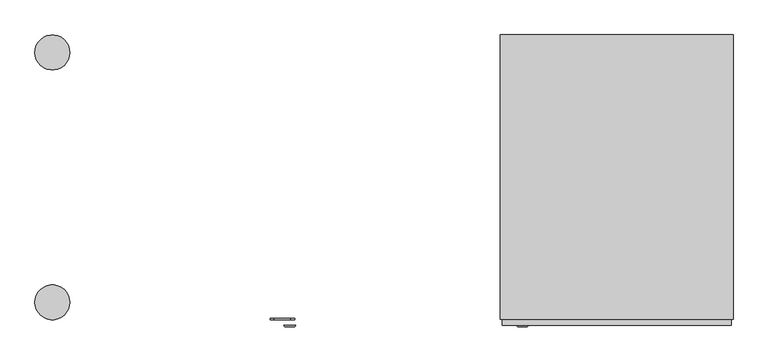
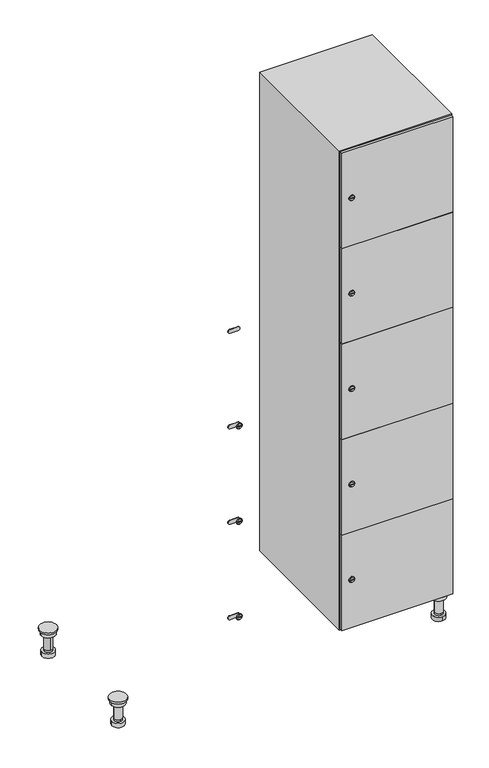
"""IFC4 building model written with IfcOpenShell, lengths in millimetres: furniture geometry."""

from ifc_helpers import new_model, si_unit, point, frame, frame_2d, origin, place, context, project, spatial, polyline, circle_curve, trimmed, segment, composite_curve, outline, extrude, faceted_brep, source, transform, mapped, element, save
from ifc_brep_helpers import plane_surface, cylinder_surface, revolved_surface, advanced_brep


def furniture_df191764(model_context):
    return source(origin(), model_context, "Body", "SolidModel", [
        advanced_brep(
        [(970.0, -201.0, 22.0), (970.0, -201.5, 16.0), (970.0, -228.5, 16.0), (970.0, -229.0, 22.0), (956.0, -215.0, 22.0), (984.0, -215.0, 22.0), (970.0, -192.5, 16.0), (970.0, -237.5, 16.0), (970.0, -192.5, 0.0), (970.0, -237.5, 0.0), (984.0, -215.0, 78.0), (956.0, -215.0, 78.0), (995.0, -215.0, 78.0), (945.0, -215.0, 78.0), (1000.0, -215.0, 94.0), (940.0, -215.0, 94.0), (945.0, -215.0, 94.0), (995.0, -215.0, 94.0), (1000.0, -215.0, 100.0), (940.0, -215.0, 100.0)],
        [
            (0, 1),
            (1, 2, circle_curve(frame((970.0, -215.0, 16.0), z_axis=(0.0, 0.0, 1.0), x_axis=(0.0, -1.0, 0.0)), 13.5)),
            (2, 3),
            (3, 4, circle_curve(frame((970.0, -215.0, 22.0), z_axis=(0.0, 0.0, -1.0), x_axis=(0.0, -1.0, 0.0)), 14.0)),
            (4, 0, circle_curve(frame((970.0, -215.0, 22.0), z_axis=(0.0, 0.0, -1.0), x_axis=(0.0, -1.0, 0.0)), 14.0)),
            (0, 5, circle_curve(frame((970.0, -215.0, 22.0), z_axis=(0.0, 0.0, -1.0), x_axis=(0.0, 1.0, 0.0)), 14.0)),
            (5, 3, circle_curve(frame((970.0, -215.0, 22.0), z_axis=(0.0, 0.0, -1.0), x_axis=(0.0, 1.0, 0.0)), 14.0)),
            (2, 1, circle_curve(frame((970.0, -215.0, 16.0), z_axis=(0.0, 0.0, 1.0), x_axis=(0.0, 1.0, 0.0)), 13.5)),
            (6, 7, circle_curve(frame((970.0, -215.0, 16.0), z_axis=(0.0, 0.0, 1.0), x_axis=(0.0, -1.0, 0.0)), 22.5)),
            (7, 6, circle_curve(frame((970.0, -215.0, 16.0), z_axis=(0.0, 0.0, 1.0), x_axis=(0.0, -1.0, 0.0)), 22.5)),
            (8, 9, circle_curve(frame((970.0, -215.0, 0.0), z_axis=(0.0, 0.0, -1.0), x_axis=(0.0, -1.0, 0.0)), 22.5)),
            (9, 8, circle_curve(frame((970.0, -215.0, 0.0), z_axis=(0.0, 0.0, -1.0), x_axis=(0.0, -1.0, 0.0)), 22.5)),
            (6, 8),
            (9, 7),
            (5, 10),
            (10, 11, circle_curve(frame((970.0, -215.0, 78.0), z_axis=(0.0, 0.0, -1.0), x_axis=(-1.0, 0.0, 0.0)), 14.0)),
            (11, 4),
            (11, 10, circle_curve(frame((970.0, -215.0, 78.0), z_axis=(0.0, 0.0, -1.0), x_axis=(-1.0, 0.0, 0.0)), 14.0)),
            (12, 13, circle_curve(frame((970.0, -215.0, 78.0), z_axis=(0.0, 0.0, -1.0), x_axis=(-1.0, 0.0, 0.0)), 25.0)),
            (13, 12, circle_curve(frame((970.0, -215.0, 78.0), z_axis=(0.0, 0.0, -1.0), x_axis=(-1.0, 0.0, 0.0)), 25.0)),
            (14, 15, circle_curve(frame((970.0, -215.0, 94.0), z_axis=(0.0, 0.0, -1.0), x_axis=(-1.0, 0.0, 0.0)), 30.0)),
            (15, 14, circle_curve(frame((970.0, -215.0, 94.0), z_axis=(0.0, 0.0, -1.0), x_axis=(-1.0, 0.0, 0.0)), 30.0)),
            (16, 17, circle_curve(frame((970.0, -215.0, 94.0), z_axis=(0.0, 0.0, 1.0), x_axis=(-1.0, 0.0, 0.0)), 25.0)),
            (17, 16, circle_curve(frame((970.0, -215.0, 94.0), z_axis=(0.0, 0.0, 1.0), x_axis=(-1.0, 0.0, 0.0)), 25.0)),
            (18, 19, circle_curve(frame((970.0, -215.0, 100.0), z_axis=(0.0, 0.0, 1.0), x_axis=(-1.0, 0.0, 0.0)), 30.0)),
            (19, 18, circle_curve(frame((970.0, -215.0, 100.0), z_axis=(0.0, 0.0, 1.0), x_axis=(-1.0, 0.0, 0.0)), 30.0)),
            (14, 18),
            (19, 15),
            (12, 17),
            (16, 13),
        ],
        [
            revolved_surface(polyline([(970.0, -201.5, 16.0), (970.0, -201.0, 22.0)]), (970.0, -215.0, -146.0), (0.0, 0.0, 1.0)),
            plane_surface(frame((970.0, 0.0, 16.0), z_axis=(0.0, 0.0, 1.0), x_axis=(0.0, -1.0, 0.0))),
            plane_surface(frame((970.0, 0.0, 0.0), z_axis=(0.0, 0.0, -1.0), x_axis=(0.0, -1.0, 0.0))),
            cylinder_surface(frame((970.0, -215.0, 16.0), z_axis=(0.0, 0.0, 1.0), x_axis=(0.0, -1.0, 0.0)), 22.5),
            cylinder_surface(frame((970.0, -215.0, 22.0), z_axis=(0.0, 0.0, -1.0), x_axis=(-1.0, 0.0, 0.0)), 14.0),
            plane_surface(frame((970.0, 0.0, 78.0), z_axis=(0.0, 0.0, -1.0), x_axis=(0.0, -1.0, 0.0))),
            plane_surface(frame((970.0, 0.0, 94.0), z_axis=(0.0, 0.0, -1.0), x_axis=(0.0, -1.0, 0.0))),
            plane_surface(frame((970.0, 0.0, 100.0), z_axis=(0.0, 0.0, 1.0), x_axis=(0.0, -1.0, 0.0))),
            cylinder_surface(frame((970.0, -215.0, 94.0), z_axis=(0.0, 0.0, -1.0), x_axis=(-1.0, 0.0, 0.0)), 30.0),
            cylinder_surface(frame((970.0, -215.0, 78.0), z_axis=(0.0, 0.0, -1.0), x_axis=(-1.0, 0.0, 0.0)), 25.0),
        ],
        [
            (0, [[1, 2, 3, 4, 5]]),
            (0, [[-1, 6, 7, -3, 8]]),
            (1, [[9, 10], [-2, -8]]),
            (2, [[11, 12]]),
            (3, [[-9, 13, -12, 14]]),
            (3, [[-10, -14, -11, -13]]),
            (4, [[15, 16, 17, -4, -7]]),
            (4, [[-15, -6, -5, -17, 18]]),
            (5, [[19, 20], [-16, -18]]),
            (6, [[21, 22], [23, 24]]),
            (7, [[25, 26]]),
            (8, [[-21, 27, -26, 28]]),
            (8, [[-22, -28, -25, -27]]),
            (9, [[-19, 29, -23, 30]]),
            (9, [[-20, -30, -24, -29]]),
        ],
    ),
        advanced_brep(
        [(-170.0, -201.0, 22.0), (-170.0, -201.5, 16.0), (-170.0, -228.5, 16.0), (-170.0, -229.0, 22.0), (-184.0, -215.0, 22.0), (-156.0, -215.0, 22.0), (-147.5, -215.0, 0.0), (-192.5, -215.0, 0.0), (-147.5, -215.0, 16.0), (-192.5, -215.0, 16.0), (-156.0, -215.0, 78.0), (-184.0, -215.0, 78.0), (-145.0, -215.0, 78.0), (-195.0, -215.0, 78.0), (-140.0, -215.0, 94.0), (-200.0, -215.0, 94.0), (-195.0, -215.0, 94.0), (-145.0, -215.0, 94.0), (-140.0, -215.0, 100.0), (-200.0, -215.0, 100.0)],
        [
            (0, 1),
            (1, 2, circle_curve(frame((-170.0, -215.0, 16.0), z_axis=(0.0, 0.0, 1.0), x_axis=(0.0, -1.0, 0.0)), 13.5)),
            (2, 3),
            (3, 4, circle_curve(frame((-170.0, -215.0, 22.0), z_axis=(0.0, 0.0, -1.0), x_axis=(0.0, -1.0, 0.0)), 14.0)),
            (4, 0, circle_curve(frame((-170.0, -215.0, 22.0), z_axis=(0.0, 0.0, -1.0), x_axis=(0.0, -1.0, 0.0)), 14.0)),
            (0, 5, circle_curve(frame((-170.0, -215.0, 22.0), z_axis=(0.0, 0.0, -1.0), x_axis=(0.0, 1.0, 0.0)), 14.0)),
            (5, 3, circle_curve(frame((-170.0, -215.0, 22.0), z_axis=(0.0, 0.0, -1.0), x_axis=(0.0, 1.0, 0.0)), 14.0)),
            (2, 1, circle_curve(frame((-170.0, -215.0, 16.0), z_axis=(0.0, 0.0, 1.0), x_axis=(0.0, 1.0, 0.0)), 13.5)),
            (6, 7, circle_curve(frame((-170.0, -215.0, 0.0), z_axis=(0.0, 0.0, -1.0), x_axis=(-1.0, 0.0, 0.0)), 22.5)),
            (7, 6, circle_curve(frame((-170.0, -215.0, 0.0), z_axis=(0.0, 0.0, -1.0), x_axis=(-1.0, 0.0, 0.0)), 22.5)),
            (8, 9, circle_curve(frame((-170.0, -215.0, 16.0), z_axis=(0.0, 0.0, 1.0), x_axis=(-1.0, 0.0, 0.0)), 22.5)),
            (9, 8, circle_curve(frame((-170.0, -215.0, 16.0), z_axis=(0.0, 0.0, 1.0), x_axis=(-1.0, 0.0, 0.0)), 22.5)),
            (6, 8),
            (9, 7),
            (5, 10),
            (10, 11, circle_curve(frame((-170.0, -215.0, 78.0), z_axis=(0.0, 0.0, -1.0), x_axis=(-1.0, 0.0, 0.0)), 14.0)),
            (11, 4),
            (11, 10, circle_curve(frame((-170.0, -215.0, 78.0), z_axis=(0.0, 0.0, -1.0), x_axis=(-1.0, 0.0, 0.0)), 14.0)),
            (12, 13, circle_curve(frame((-170.0, -215.0, 78.0), z_axis=(0.0, 0.0, -1.0), x_axis=(-1.0, 0.0, 0.0)), 25.0)),
            (13, 12, circle_curve(frame((-170.0, -215.0, 78.0), z_axis=(0.0, 0.0, -1.0), x_axis=(-1.0, 0.0, 0.0)), 25.0)),
            (14, 15, circle_curve(frame((-170.0, -215.0, 94.0), z_axis=(0.0, 0.0, -1.0), x_axis=(-1.0, 0.0, 0.0)), 30.0)),
            (15, 14, circle_curve(frame((-170.0, -215.0, 94.0), z_axis=(0.0, 0.0, -1.0), x_axis=(-1.0, 0.0, 0.0)), 30.0)),
            (16, 17, circle_curve(frame((-170.0, -215.0, 94.0), z_axis=(0.0, 0.0, 1.0), x_axis=(-1.0, 0.0, 0.0)), 25.0)),
            (17, 16, circle_curve(frame((-170.0, -215.0, 94.0), z_axis=(0.0, 0.0, 1.0), x_axis=(-1.0, 0.0, 0.0)), 25.0)),
            (18, 19, circle_curve(frame((-170.0, -215.0, 100.0), z_axis=(0.0, 0.0, 1.0), x_axis=(-1.0, 0.0, 0.0)), 30.0)),
            (19, 18, circle_curve(frame((-170.0, -215.0, 100.0), z_axis=(0.0, 0.0, 1.0), x_axis=(-1.0, 0.0, 0.0)), 30.0)),
            (14, 18),
            (19, 15),
            (12, 17),
            (16, 13),
        ],
        [
            revolved_surface(polyline([(-170.0, -201.5, 16.0), (-170.0, -201.0, 22.0)]), (-170.0, -215.0, -146.0), (0.0, 0.0, 1.0)),
            plane_surface(frame((-170.0, 0.0, 0.0), z_axis=(0.0, 0.0, -1.0), x_axis=(0.0, -1.0, 0.0))),
            plane_surface(frame((-170.0, 0.0, 16.0), z_axis=(0.0, 0.0, 1.0), x_axis=(0.0, -1.0, 0.0))),
            cylinder_surface(frame((-170.0, -215.0, 0.0), z_axis=(0.0, 0.0, -1.0), x_axis=(-1.0, 0.0, 0.0)), 22.5),
            cylinder_surface(frame((-170.0, -215.0, 22.0), z_axis=(0.0, 0.0, -1.0), x_axis=(-1.0, 0.0, 0.0)), 14.0),
            plane_surface(frame((-170.0, 0.0, 78.0), z_axis=(0.0, 0.0, -1.0), x_axis=(0.0, -1.0, 0.0))),
            plane_surface(frame((-170.0, 0.0, 94.0), z_axis=(0.0, 0.0, -1.0), x_axis=(0.0, -1.0, 0.0))),
            plane_surface(frame((-170.0, 0.0, 100.0), z_axis=(0.0, 0.0, 1.0), x_axis=(0.0, -1.0, 0.0))),
            cylinder_surface(frame((-170.0, -215.0, 94.0), z_axis=(0.0, 0.0, -1.0), x_axis=(-1.0, 0.0, 0.0)), 30.0),
            cylinder_surface(frame((-170.0, -215.0, 78.0), z_axis=(0.0, 0.0, -1.0), x_axis=(-1.0, 0.0, 0.0)), 25.0),
        ],
        [
            (0, [[1, 2, 3, 4, 5]]),
            (0, [[-1, 6, 7, -3, 8]]),
            (1, [[9, 10]]),
            (2, [[11, 12], [-2, -8]]),
            (3, [[-9, 13, -12, 14]]),
            (3, [[-10, -14, -11, -13]]),
            (4, [[15, 16, 17, -4, -7]]),
            (4, [[-15, -6, -5, -17, 18]]),
            (5, [[19, 20], [-16, -18]]),
            (6, [[21, 22], [23, 24]]),
            (7, [[25, 26]]),
            (8, [[-21, 27, -26, 28]]),
            (8, [[-22, -28, -25, -27]]),
            (9, [[-19, 29, -23, 30]]),
            (9, [[-20, -30, -24, -29]]),
        ],
    ),
        advanced_brep(
        [(983.5, 215.0, 16.0), (984.0, 215.0, 22.0), (956.0, 215.0, 22.0), (956.5, 215.0, 16.0), (992.5, 215.0, 0.0), (947.5, 215.0, 0.0), (992.5, 215.0, 16.0), (947.5, 215.0, 16.0), (984.0, 215.0, 78.0), (956.0, 215.0, 78.0), (995.0, 215.0, 78.0), (945.0, 215.0, 78.0), (1000.0, 215.0, 94.0), (940.0, 215.0, 94.0), (945.0, 215.0, 94.0), (995.0, 215.0, 94.0), (1000.0, 215.0, 100.0), (940.0, 215.0, 100.0)],
        [
            (0, 1),
            (1, 2, circle_curve(frame((970.0, 215.0, 22.0), z_axis=(0.0, 0.0, -1.0), x_axis=(-1.0, 0.0, 0.0)), 14.0)),
            (2, 3),
            (3, 0, circle_curve(frame((970.0, 215.0, 16.0), z_axis=(0.0, 0.0, 1.0), x_axis=(-1.0, 0.0, 0.0)), 13.5)),
            (0, 3, circle_curve(frame((970.0, 215.0, 16.0), z_axis=(0.0, 0.0, 1.0), x_axis=(1.0, 0.0, 0.0)), 13.5)),
            (2, 1, circle_curve(frame((970.0, 215.0, 22.0), z_axis=(0.0, 0.0, -1.0), x_axis=(1.0, 0.0, 0.0)), 14.0)),
            (4, 5, circle_curve(frame((970.0, 215.0, 0.0), z_axis=(0.0, 0.0, -1.0), x_axis=(-1.0, 0.0, 0.0)), 22.5)),
            (5, 4, circle_curve(frame((970.0, 215.0, 0.0), z_axis=(0.0, 0.0, -1.0), x_axis=(-1.0, 0.0, 0.0)), 22.5)),
            (6, 7, circle_curve(frame((970.0, 215.0, 16.0), z_axis=(0.0, 0.0, 1.0), x_axis=(-1.0, 0.0, 0.0)), 22.5)),
            (7, 6, circle_curve(frame((970.0, 215.0, 16.0), z_axis=(0.0, 0.0, 1.0), x_axis=(-1.0, 0.0, 0.0)), 22.5)),
            (4, 6),
            (7, 5),
            (1, 8),
            (8, 9, circle_curve(frame((970.0, 215.0, 78.0), z_axis=(0.0, 0.0, -1.0), x_axis=(-1.0, 0.0, 0.0)), 14.0)),
            (9, 2),
            (9, 8, circle_curve(frame((970.0, 215.0, 78.0), z_axis=(0.0, 0.0, -1.0), x_axis=(-1.0, 0.0, 0.0)), 14.0)),
            (10, 11, circle_curve(frame((970.0, 215.0, 78.0), z_axis=(0.0, 0.0, -1.0), x_axis=(-1.0, 0.0, 0.0)), 25.0)),
            (11, 10, circle_curve(frame((970.0, 215.0, 78.0), z_axis=(0.0, 0.0, -1.0), x_axis=(-1.0, 0.0, 0.0)), 25.0)),
            (12, 13, circle_curve(frame((970.0, 215.0, 94.0), z_axis=(0.0, 0.0, -1.0), x_axis=(-1.0, 0.0, 0.0)), 30.0)),
            (13, 12, circle_curve(frame((970.0, 215.0, 94.0), z_axis=(0.0, 0.0, -1.0), x_axis=(-1.0, 0.0, 0.0)), 30.0)),
            (14, 15, circle_curve(frame((970.0, 215.0, 94.0), z_axis=(0.0, 0.0, 1.0), x_axis=(-1.0, 0.0, 0.0)), 25.0)),
            (15, 14, circle_curve(frame((970.0, 215.0, 94.0), z_axis=(0.0, 0.0, 1.0), x_axis=(-1.0, 0.0, 0.0)), 25.0)),
            (16, 17, circle_curve(frame((970.0, 215.0, 100.0), z_axis=(0.0, 0.0, 1.0), x_axis=(-1.0, 0.0, 0.0)), 30.0)),
            (17, 16, circle_curve(frame((970.0, 215.0, 100.0), z_axis=(0.0, 0.0, 1.0), x_axis=(-1.0, 0.0, 0.0)), 30.0)),
            (12, 16),
            (17, 13),
            (10, 15),
            (14, 11),
        ],
        [
            revolved_surface(polyline([(983.5, 215.0, 16.0), (984.0, 215.0, 22.0)]), (970.0, 215.0, -146.0), (0.0, 0.0, 1.0)),
            plane_surface(frame((970.0, 0.0, 0.0), z_axis=(0.0, 0.0, -1.0), x_axis=(0.0, -1.0, 0.0))),
            plane_surface(frame((970.0, 0.0, 16.0), z_axis=(0.0, 0.0, 1.0), x_axis=(0.0, -1.0, 0.0))),
            cylinder_surface(frame((970.0, 215.0, 0.0), z_axis=(0.0, 0.0, -1.0), x_axis=(-1.0, 0.0, 0.0)), 22.5),
            cylinder_surface(frame((970.0, 215.0, 22.0), z_axis=(0.0, 0.0, -1.0), x_axis=(-1.0, 0.0, 0.0)), 14.0),
            plane_surface(frame((970.0, 0.0, 78.0), z_axis=(0.0, 0.0, -1.0), x_axis=(0.0, -1.0, 0.0))),
            plane_surface(frame((970.0, 0.0, 94.0), z_axis=(0.0, 0.0, -1.0), x_axis=(0.0, -1.0, 0.0))),
            plane_surface(frame((970.0, 0.0, 100.0), z_axis=(0.0, 0.0, 1.0), x_axis=(0.0, -1.0, 0.0))),
            cylinder_surface(frame((970.0, 215.0, 94.0), z_axis=(0.0, 0.0, -1.0), x_axis=(-1.0, 0.0, 0.0)), 30.0),
            cylinder_surface(frame((970.0, 215.0, 78.0), z_axis=(0.0, 0.0, -1.0), x_axis=(-1.0, 0.0, 0.0)), 25.0),
        ],
        [
            (0, [[1, 2, 3, 4]]),
            (0, [[-1, 5, -3, 6]]),
            (1, [[7, 8]]),
            (2, [[9, 10], [-4, -5]]),
            (3, [[-7, 11, -10, 12]]),
            (3, [[-8, -12, -9, -11]]),
            (4, [[13, 14, 15, -2]]),
            (4, [[-13, -6, -15, 16]]),
            (5, [[17, 18], [-14, -16]]),
            (6, [[19, 20], [21, 22]]),
            (7, [[23, 24]]),
            (8, [[-19, 25, -24, 26]]),
            (8, [[-20, -26, -23, -25]]),
            (9, [[-17, 27, -21, 28]]),
            (9, [[-18, -28, -22, -27]]),
        ],
    ),
        advanced_brep(
        [(-156.5, 215.0, 16.0), (-156.0, 215.0, 22.0), (-170.0, 201.0, 22.0), (-184.0, 215.0, 22.0), (-183.5, 215.0, 16.0), (-170.0, 229.0, 22.0), (-147.5, 215.0, 0.0), (-192.5, 215.0, 0.0), (-147.5, 215.0, 16.0), (-192.5, 215.0, 16.0), (-170.0, 229.0, 78.0), (-170.0, 201.0, 78.0), (-145.0, 215.0, 78.0), (-195.0, 215.0, 78.0), (-140.0, 215.0, 94.0), (-200.0, 215.0, 94.0), (-195.0, 215.0, 94.0), (-145.0, 215.0, 94.0), (-140.0, 215.0, 100.0), (-200.0, 215.0, 100.0)],
        [
            (0, 1),
            (1, 2, circle_curve(frame((-170.0, 215.0, 22.0), z_axis=(0.0, 0.0, -1.0), x_axis=(-1.0, 0.0, 0.0)), 14.0)),
            (2, 3, circle_curve(frame((-170.0, 215.0, 22.0), z_axis=(0.0, 0.0, -1.0), x_axis=(-1.0, 0.0, 0.0)), 14.0)),
            (3, 4),
            (4, 0, circle_curve(frame((-170.0, 215.0, 16.0), z_axis=(0.0, 0.0, 1.0), x_axis=(-1.0, 0.0, 0.0)), 13.5)),
            (0, 4, circle_curve(frame((-170.0, 215.0, 16.0), z_axis=(0.0, 0.0, 1.0), x_axis=(1.0, 0.0, 0.0)), 13.5)),
            (3, 5, circle_curve(frame((-170.0, 215.0, 22.0), z_axis=(0.0, 0.0, -1.0), x_axis=(1.0, 0.0, 0.0)), 14.0)),
            (5, 1, circle_curve(frame((-170.0, 215.0, 22.0), z_axis=(0.0, 0.0, -1.0), x_axis=(1.0, 0.0, 0.0)), 14.0)),
            (6, 7, circle_curve(frame((-170.0, 215.0, 0.0), z_axis=(0.0, 0.0, -1.0), x_axis=(-1.0, 0.0, 0.0)), 22.5)),
            (7, 6, circle_curve(frame((-170.0, 215.0, 0.0), z_axis=(0.0, 0.0, -1.0), x_axis=(-1.0, 0.0, 0.0)), 22.5)),
            (8, 9, circle_curve(frame((-170.0, 215.0, 16.0), z_axis=(0.0, 0.0, 1.0), x_axis=(-1.0, 0.0, 0.0)), 22.5)),
            (9, 8, circle_curve(frame((-170.0, 215.0, 16.0), z_axis=(0.0, 0.0, 1.0), x_axis=(-1.0, 0.0, 0.0)), 22.5)),
            (6, 8),
            (9, 7),
            (10, 5),
            (2, 11),
            (11, 10, circle_curve(frame((-170.0, 215.0, 78.0), z_axis=(0.0, 0.0, -1.0), x_axis=(0.0, -1.0, 0.0)), 14.0)),
            (10, 11, circle_curve(frame((-170.0, 215.0, 78.0), z_axis=(0.0, 0.0, -1.0), x_axis=(0.0, -1.0, 0.0)), 14.0)),
            (12, 13, circle_curve(frame((-170.0, 215.0, 78.0), z_axis=(0.0, 0.0, -1.0), x_axis=(-1.0, 0.0, 0.0)), 25.0)),
            (13, 12, circle_curve(frame((-170.0, 215.0, 78.0), z_axis=(0.0, 0.0, -1.0), x_axis=(-1.0, 0.0, 0.0)), 25.0)),
            (14, 15, circle_curve(frame((-170.0, 215.0, 94.0), z_axis=(0.0, 0.0, -1.0), x_axis=(-1.0, 0.0, 0.0)), 30.0)),
            (15, 14, circle_curve(frame((-170.0, 215.0, 94.0), z_axis=(0.0, 0.0, -1.0), x_axis=(-1.0, 0.0, 0.0)), 30.0)),
            (16, 17, circle_curve(frame((-170.0, 215.0, 94.0), z_axis=(0.0, 0.0, 1.0), x_axis=(-1.0, 0.0, 0.0)), 25.0)),
            (17, 16, circle_curve(frame((-170.0, 215.0, 94.0), z_axis=(0.0, 0.0, 1.0), x_axis=(-1.0, 0.0, 0.0)), 25.0)),
            (18, 19, circle_curve(frame((-170.0, 215.0, 100.0), z_axis=(0.0, 0.0, 1.0), x_axis=(-1.0, 0.0, 0.0)), 30.0)),
            (19, 18, circle_curve(frame((-170.0, 215.0, 100.0), z_axis=(0.0, 0.0, 1.0), x_axis=(-1.0, 0.0, 0.0)), 30.0)),
            (14, 18),
            (19, 15),
            (12, 17),
            (16, 13),
        ],
        [
            revolved_surface(polyline([(-156.5, 215.0, 16.0), (-156.0, 215.0, 22.0)]), (-170.0, 215.0, -146.0), (0.0, 0.0, 1.0)),
            plane_surface(frame((-170.0, 0.0, 0.0), z_axis=(0.0, 0.0, -1.0), x_axis=(0.0, -1.0, 0.0))),
            plane_surface(frame((-170.0, 0.0, 16.0), z_axis=(0.0, 0.0, 1.0), x_axis=(0.0, -1.0, 0.0))),
            cylinder_surface(frame((-170.0, 215.0, 0.0), z_axis=(0.0, 0.0, -1.0), x_axis=(-1.0, 0.0, 0.0)), 22.5),
            cylinder_surface(frame((-170.0, 215.0, 78.0), z_axis=(0.0, 0.0, 1.0), x_axis=(0.0, -1.0, 0.0)), 14.0),
            plane_surface(frame((-170.0, 0.0, 78.0), z_axis=(0.0, 0.0, -1.0), x_axis=(0.0, -1.0, 0.0))),
            plane_surface(frame((-170.0, 0.0, 94.0), z_axis=(0.0, 0.0, -1.0), x_axis=(0.0, -1.0, 0.0))),
            plane_surface(frame((-170.0, 0.0, 100.0), z_axis=(0.0, 0.0, 1.0), x_axis=(0.0, -1.0, 0.0))),
            cylinder_surface(frame((-170.0, 215.0, 94.0), z_axis=(0.0, 0.0, -1.0), x_axis=(-1.0, 0.0, 0.0)), 30.0),
            cylinder_surface(frame((-170.0, 215.0, 78.0), z_axis=(0.0, 0.0, -1.0), x_axis=(-1.0, 0.0, 0.0)), 25.0),
        ],
        [
            (0, [[1, 2, 3, 4, 5]]),
            (0, [[-1, 6, -4, 7, 8]]),
            (1, [[9, 10]]),
            (2, [[11, 12], [-5, -6]]),
            (3, [[-9, 13, -12, 14]]),
            (3, [[-10, -14, -11, -13]]),
            (4, [[15, -7, -3, 16, 17]]),
            (4, [[-15, 18, -16, -2, -8]]),
            (5, [[19, 20], [-17, -18]]),
            (6, [[21, 22], [23, 24]]),
            (7, [[25, 26]]),
            (8, [[-21, 27, -26, 28]]),
            (8, [[-22, -28, -25, -27]]),
            (9, [[-19, 29, -23, 30]]),
            (9, [[-20, -30, -24, -29]]),
        ],
    ),
        extrude(outline(composite_curve([segment(trimmed(circle_curve(frame_2d((282.4, 611.2010534)), 7.0), [point((289.4, 611.2010534))], [point((275.4, 611.2010534))], False, "CARTESIAN"), True, "CONTINUOUS"), segment(polyline([(275.4, 611.2010534), (275.4, 639.2010534)]), True, "CONTINUOUS"), segment(trimmed(circle_curve(frame_2d((282.4, 639.2010534)), 7.0), [point((275.4, 639.2010534))], [point((289.4, 639.2010534))], False, "CARTESIAN"), True, "CONTINUOUS"), segment(polyline([(289.4, 639.2010534), (289.4, 611.2010534)]), True, "CONTINUOUS")], self_intersect=False)), frame((0.0, -245.0, 0.0), z_axis=(0.0, 1.0, 0.0), x_axis=(0.0, 0.0, 1.0)), (0.0, 0.0, 1.0), 2.0),
        advanced_brep(
        [(646.5, -257.2, 282.4), (629.5, -257.2, 282.4), (633.0, -257.2, 281.15), (633.0, -257.2, 283.65), (643.0, -257.2, 283.65), (643.0, -257.2, 281.15), (648.5, -255.0, 282.4), (627.5, -255.0, 282.4), (633.0, -255.0, 283.65), (633.0, -255.0, 281.15), (643.0, -255.0, 281.15), (643.0, -255.0, 283.65)],
        [
            (0, 1, circle_curve(frame((638.0, -257.2, 282.4), z_axis=(0.0, -1.0, 0.0), x_axis=(1.0, 0.0, 0.0)), 8.5)),
            (1, 0, circle_curve(frame((638.0, -257.2, 282.4), z_axis=(0.0, -1.0, 0.0), x_axis=(-1.0, 0.0, 0.0)), 8.5)),
            (2, 3),
            (3, 4),
            (4, 5),
            (5, 2),
            (6, 7, circle_curve(frame((638.0, -255.0, 282.4), z_axis=(0.0, 1.0, 0.0), x_axis=(-1.0, 0.0, 0.0)), 10.5)),
            (7, 6, circle_curve(frame((638.0, -255.0, 282.4), z_axis=(0.0, 1.0, 0.0), x_axis=(1.0, 0.0, 0.0)), 10.5)),
            (8, 9),
            (9, 10),
            (10, 11),
            (11, 8),
            (0, 6),
            (7, 1),
            (8, 3),
            (2, 9),
            (11, 4),
            (10, 5),
        ],
        [
            plane_surface(frame((638.0, -257.2, 282.4), z_axis=(0.0, -1.0, 0.0), x_axis=(0.0, 0.0, 1.0))),
            plane_surface(frame((638.0, -255.0, 282.4), z_axis=(0.0, 1.0, 0.0), x_axis=(0.0, 0.0, 1.0))),
            revolved_surface(polyline([(646.5, -257.2, 282.4), (648.5, -255.0, 282.4)]), (638.0, -266.55, 282.4), (0.0, 1.0, 0.0)),
            revolved_surface(polyline([(629.5, -257.2, 282.4), (627.5, -255.0, 282.4)]), (638.0, -266.55, 282.4), (0.0, 1.0, 0.0)),
            plane_surface(frame((633.0, -255.0, 281.15), z_axis=(1.0, 0.0, 0.0), x_axis=(0.0, -1.0, 0.0))),
            plane_surface(frame((633.0, -255.0, 283.65), z_axis=(0.0, 0.0, -1.0), x_axis=(0.0, -1.0, 0.0))),
            plane_surface(frame((643.0, -255.0, 283.65), z_axis=(-1.0, 0.0, 0.0), x_axis=(0.0, -1.0, 0.0))),
            plane_surface(frame((643.0, -255.0, 281.15), z_axis=(0.0, 0.0, 1.0), x_axis=(0.0, -1.0, 0.0))),
        ],
        [
            (0, [[1, 2], [3, 4, 5, 6]]),
            (1, [[7, 8], [9, 10, 11, 12]]),
            (2, [[-1, 13, -8, 14]]),
            (3, [[-2, -14, -7, -13]]),
            (4, [[15, -3, 16, -9]]),
            (5, [[-15, -12, 17, -4]]),
            (6, [[-17, -11, 18, -5]]),
            (7, [[-16, -6, -18, -10]]),
        ],
    ),
        extrude(outline(composite_curve([segment(trimmed(circle_curve(frame_2d((641.2, 611.2010534)), 7.0), [point((648.2, 611.2010534))], [point((634.2, 611.2010534))], False, "CARTESIAN"), True, "CONTINUOUS"), segment(polyline([(634.2, 611.2010534), (634.2, 639.2010534)]), True, "CONTINUOUS"), segment(trimmed(circle_curve(frame_2d((641.2, 639.2010534)), 7.0), [point((634.2, 639.2010534))], [point((648.2, 639.2010534))], False, "CARTESIAN"), True, "CONTINUOUS"), segment(polyline([(648.2, 639.2010534), (648.2, 611.2010534)]), True, "CONTINUOUS")], self_intersect=False)), frame((0.0, -245.0, 0.0), z_axis=(0.0, 1.0, 0.0), x_axis=(0.0, 0.0, 1.0)), (0.0, 0.0, 1.0), 2.0),
        advanced_brep(
        [(646.5, -257.2, 641.2), (629.5, -257.2, 641.2), (633.0, -257.2, 639.95), (633.0, -257.2, 642.45), (643.0, -257.2, 642.45), (643.0, -257.2, 639.95), (648.5, -255.0, 641.2), (627.5, -255.0, 641.2), (633.0, -255.0, 642.45), (633.0, -255.0, 639.95), (643.0, -255.0, 639.95), (643.0, -255.0, 642.45)],
        [
            (0, 1, circle_curve(frame((638.0, -257.2, 641.2), z_axis=(0.0, -1.0, 0.0), x_axis=(1.0, 0.0, 0.0)), 8.5)),
            (1, 0, circle_curve(frame((638.0, -257.2, 641.2), z_axis=(0.0, -1.0, 0.0), x_axis=(-1.0, 0.0, 0.0)), 8.5)),
            (2, 3),
            (3, 4),
            (4, 5),
            (5, 2),
            (6, 7, circle_curve(frame((638.0, -255.0, 641.2), z_axis=(0.0, 1.0, 0.0), x_axis=(-1.0, 0.0, 0.0)), 10.5)),
            (7, 6, circle_curve(frame((638.0, -255.0, 641.2), z_axis=(0.0, 1.0, 0.0), x_axis=(1.0, 0.0, 0.0)), 10.5)),
            (8, 9),
            (9, 10),
            (10, 11),
            (11, 8),
            (0, 6),
            (7, 1),
            (8, 3),
            (2, 9),
            (11, 4),
            (10, 5),
        ],
        [
            plane_surface(frame((638.0, -257.2, 641.2), z_axis=(0.0, -1.0, 0.0), x_axis=(0.0, 0.0, 1.0))),
            plane_surface(frame((638.0, -255.0, 641.2), z_axis=(0.0, 1.0, 0.0), x_axis=(0.0, 0.0, 1.0))),
            revolved_surface(polyline([(646.5, -257.2, 641.2), (648.5, -255.0, 641.2)]), (638.0, -266.55, 641.2), (0.0, 1.0, 0.0)),
            revolved_surface(polyline([(629.5, -257.2, 641.2), (627.5, -255.0, 641.2)]), (638.0, -266.55, 641.2), (0.0, 1.0, 0.0)),
            plane_surface(frame((633.0, -255.0, 639.95), z_axis=(1.0, 0.0, 0.0), x_axis=(0.0, -1.0, 0.0))),
            plane_surface(frame((633.0, -255.0, 642.45), z_axis=(0.0, 0.0, -1.0), x_axis=(0.0, -1.0, 0.0))),
            plane_surface(frame((643.0, -255.0, 642.45), z_axis=(-1.0, 0.0, 0.0), x_axis=(0.0, -1.0, 0.0))),
            plane_surface(frame((643.0, -255.0, 639.95), z_axis=(0.0, 0.0, 1.0), x_axis=(0.0, -1.0, 0.0))),
        ],
        [
            (0, [[1, 2], [3, 4, 5, 6]]),
            (1, [[7, 8], [9, 10, 11, 12]]),
            (2, [[-1, 13, -8, 14]]),
            (3, [[-2, -14, -7, -13]]),
            (4, [[15, -3, 16, -9]]),
            (5, [[-15, -12, 17, -4]]),
            (6, [[-17, -11, 18, -5]]),
            (7, [[-16, -6, -18, -10]]),
        ],
    ),
        extrude(outline(composite_curve([segment(trimmed(circle_curve(frame_2d((1000.0, 611.2010534)), 7.0), [point((1007.0, 611.2010534))], [point((993.0, 611.2010534))], False, "CARTESIAN"), True, "CONTINUOUS"), segment(polyline([(993.0, 611.2010534), (993.0, 639.2010534)]), True, "CONTINUOUS"), segment(trimmed(circle_curve(frame_2d((1000.0, 639.2010534)), 7.0), [point((993.0, 639.2010534))], [point((1007.0, 639.2010534))], False, "CARTESIAN"), True, "CONTINUOUS"), segment(polyline([(1007.0, 639.2010534), (1007.0, 611.2010534)]), True, "CONTINUOUS")], self_intersect=False)), frame((0.0, -245.0, 0.0), z_axis=(0.0, 1.0, 0.0), x_axis=(0.0, 0.0, 1.0)), (0.0, 0.0, 1.0), 2.0),
        advanced_brep(
        [(646.5, -257.2, 1000.0), (629.5, -257.2, 1000.0), (633.0, -257.2, 998.75), (633.0, -257.2, 1001.25), (643.0, -257.2, 1001.25), (643.0, -257.2, 998.75), (648.5, -255.0, 1000.0), (627.5, -255.0, 1000.0), (633.0, -255.0, 1001.25), (633.0, -255.0, 998.75), (643.0, -255.0, 998.75), (643.0, -255.0, 1001.25)],
        [
            (0, 1, circle_curve(frame((638.0, -257.2, 1000.0), z_axis=(0.0, -1.0, 0.0), x_axis=(1.0, 0.0, 0.0)), 8.5)),
            (1, 0, circle_curve(frame((638.0, -257.2, 1000.0), z_axis=(0.0, -1.0, 0.0), x_axis=(-1.0, 0.0, 0.0)), 8.5)),
            (2, 3),
            (3, 4),
            (4, 5),
            (5, 2),
            (6, 7, circle_curve(frame((638.0, -255.0, 1000.0), z_axis=(0.0, 1.0, 0.0), x_axis=(-1.0, 0.0, 0.0)), 10.5)),
            (7, 6, circle_curve(frame((638.0, -255.0, 1000.0), z_axis=(0.0, 1.0, 0.0), x_axis=(1.0, 0.0, 0.0)), 10.5)),
            (8, 9),
            (9, 10),
            (10, 11),
            (11, 8),
            (0, 6),
            (7, 1),
            (8, 3),
            (2, 9),
            (11, 4),
            (10, 5),
        ],
        [
            plane_surface(frame((638.0, -257.2, 1000.0), z_axis=(0.0, -1.0, 0.0), x_axis=(0.0, 0.0, 1.0))),
            plane_surface(frame((638.0, -255.0, 1000.0), z_axis=(0.0, 1.0, 0.0), x_axis=(0.0, 0.0, 1.0))),
            revolved_surface(polyline([(646.5, -257.2, 1000.0), (648.5, -255.0, 1000.0)]), (638.0, -266.55, 1000.0), (0.0, 1.0, 0.0)),
            revolved_surface(polyline([(629.5, -257.2, 1000.0), (627.5, -255.0, 1000.0)]), (638.0, -266.55, 1000.0), (0.0, 1.0, 0.0)),
            plane_surface(frame((633.0, -255.0, 998.75), z_axis=(1.0, 0.0, 0.0), x_axis=(0.0, -1.0, 0.0))),
            plane_surface(frame((633.0, -255.0, 1001.25), z_axis=(0.0, 0.0, -1.0), x_axis=(0.0, -1.0, 0.0))),
            plane_surface(frame((643.0, -255.0, 1001.25), z_axis=(-1.0, 0.0, 0.0), x_axis=(0.0, -1.0, 0.0))),
            plane_surface(frame((643.0, -255.0, 998.75), z_axis=(0.0, 0.0, 1.0), x_axis=(0.0, -1.0, 0.0))),
        ],
        [
            (0, [[1, 2], [3, 4, 5, 6]]),
            (1, [[7, 8], [9, 10, 11, 12]]),
            (2, [[-1, 13, -8, 14]]),
            (3, [[-2, -14, -7, -13]]),
            (4, [[15, -3, 16, -9]]),
            (5, [[-15, -12, 17, -4]]),
            (6, [[-17, -11, 18, -5]]),
            (7, [[-16, -6, -18, -10]]),
        ],
    ),
        extrude(outline(composite_curve([segment(trimmed(circle_curve(frame_2d((1358.8, 611.2010534)), 7.0), [point((1365.8, 611.2010534))], [point((1351.8, 611.2010534))], False, "CARTESIAN"), True, "CONTINUOUS"), segment(polyline([(1351.8, 611.2010534), (1351.8, 639.2010534)]), True, "CONTINUOUS"), segment(trimmed(circle_curve(frame_2d((1358.8, 639.2010534)), 7.0), [point((1351.8, 639.2010534))], [point((1365.8, 639.2010534))], False, "CARTESIAN"), True, "CONTINUOUS"), segment(polyline([(1365.8, 639.2010534), (1365.8, 611.2010534)]), True, "CONTINUOUS")], self_intersect=False)), frame((0.0, -245.0, 0.0), z_axis=(0.0, 1.0, 0.0), x_axis=(0.0, 0.0, 1.0)), (0.0, 0.0, 1.0), 2.0),
        advanced_brep(
        [(646.5, -257.2, 1358.8), (629.5, -257.2, 1358.8), (633.0, -257.2, 1357.55), (633.0, -257.2, 1360.05), (643.0, -257.2, 1360.05), (643.0, -257.2, 1357.55), (648.5, -255.0, 1358.8), (627.5, -255.0, 1358.8), (633.0, -255.0, 1360.05), (633.0, -255.0, 1357.55), (643.0, -255.0, 1357.55), (643.0, -255.0, 1360.05)],
        [
            (0, 1, circle_curve(frame((638.0, -257.2, 1358.8), z_axis=(0.0, -1.0, 0.0), x_axis=(1.0, 0.0, 0.0)), 8.5)),
            (1, 0, circle_curve(frame((638.0, -257.2, 1358.8), z_axis=(0.0, -1.0, 0.0), x_axis=(-1.0, 0.0, 0.0)), 8.5)),
            (2, 3),
            (3, 4),
            (4, 5),
            (5, 2),
            (6, 7, circle_curve(frame((638.0, -255.0, 1358.8), z_axis=(0.0, 1.0, 0.0), x_axis=(-1.0, 0.0, 0.0)), 10.5)),
            (7, 6, circle_curve(frame((638.0, -255.0, 1358.8), z_axis=(0.0, 1.0, 0.0), x_axis=(1.0, 0.0, 0.0)), 10.5)),
            (8, 9),
            (9, 10),
            (10, 11),
            (11, 8),
            (0, 6),
            (7, 1),
            (8, 3),
            (2, 9),
            (11, 4),
            (10, 5),
        ],
        [
            plane_surface(frame((638.0, -257.2, 1358.8), z_axis=(0.0, -1.0, 0.0), x_axis=(0.0, 0.0, 1.0))),
            plane_surface(frame((638.0, -255.0, 1358.8), z_axis=(0.0, 1.0, 0.0), x_axis=(0.0, 0.0, 1.0))),
            revolved_surface(polyline([(646.5, -257.2, 1358.8), (648.5, -255.0, 1358.8)]), (638.0, -266.55, 1358.8), (0.0, 1.0, 0.0)),
            revolved_surface(polyline([(629.5, -257.2, 1358.8), (627.5, -255.0, 1358.8)]), (638.0, -266.55, 1358.8), (0.0, 1.0, 0.0)),
            plane_surface(frame((633.0, -255.0, 1357.55), z_axis=(1.0, 0.0, 0.0), x_axis=(0.0, -1.0, 0.0))),
            plane_surface(frame((633.0, -255.0, 1360.05), z_axis=(0.0, 0.0, -1.0), x_axis=(0.0, -1.0, 0.0))),
            plane_surface(frame((643.0, -255.0, 1360.05), z_axis=(-1.0, 0.0, 0.0), x_axis=(0.0, -1.0, 0.0))),
            plane_surface(frame((643.0, -255.0, 1357.55), z_axis=(0.0, 0.0, 1.0), x_axis=(0.0, -1.0, 0.0))),
        ],
        [
            (0, [[1, 2], [3, 4, 5, 6]]),
            (1, [[7, 8], [9, 10, 11, 12]]),
            (2, [[-1, 13, -8, 14]]),
            (3, [[-2, -14, -7, -13]]),
            (4, [[15, -3, 16, -9]]),
            (5, [[-15, -12, 17, -4]]),
            (6, [[-17, -11, 18, -5]]),
            (7, [[-16, -6, -18, -10]]),
        ],
    ),
        extrude(outline(composite_curve([segment(trimmed(circle_curve(frame_2d((1717.6, 611.2010534)), 7.0), [point((1724.6, 611.2010534))], [point((1710.6, 611.2010534))], False, "CARTESIAN"), True, "CONTINUOUS"), segment(polyline([(1710.6, 611.2010534), (1710.6, 639.2010534)]), True, "CONTINUOUS"), segment(trimmed(circle_curve(frame_2d((1717.6, 639.2010534)), 7.0), [point((1710.6, 639.2010534))], [point((1724.6, 639.2010534))], False, "CARTESIAN"), True, "CONTINUOUS"), segment(polyline([(1724.6, 639.2010534), (1724.6, 611.2010534)]), True, "CONTINUOUS")], self_intersect=False)), frame((0.0, -245.0, 0.0), z_axis=(0.0, 1.0, 0.0), x_axis=(0.0, 0.0, 1.0)), (0.0, 0.0, 1.0), 2.0),
        advanced_brep(
        [(646.5, -257.2, 1717.6), (629.5, -257.2, 1717.6), (633.0, -257.2, 1716.35), (633.0, -257.2, 1718.85), (643.0, -257.2, 1718.85), (643.0, -257.2, 1716.35), (648.5, -255.0, 1717.6), (627.5, -255.0, 1717.6), (633.0, -255.0, 1718.85), (633.0, -255.0, 1716.35), (643.0, -255.0, 1716.35), (643.0, -255.0, 1718.85)],
        [
            (0, 1, circle_curve(frame((638.0, -257.2, 1717.6), z_axis=(0.0, -1.0, 0.0), x_axis=(1.0, 0.0, 0.0)), 8.5)),
            (1, 0, circle_curve(frame((638.0, -257.2, 1717.6), z_axis=(0.0, -1.0, 0.0), x_axis=(-1.0, 0.0, 0.0)), 8.5)),
            (2, 3),
            (3, 4),
            (4, 5),
            (5, 2),
            (6, 7, circle_curve(frame((638.0, -255.0, 1717.6), z_axis=(0.0, 1.0, 0.0), x_axis=(-1.0, 0.0, 0.0)), 10.5)),
            (7, 6, circle_curve(frame((638.0, -255.0, 1717.6), z_axis=(0.0, 1.0, 0.0), x_axis=(1.0, 0.0, 0.0)), 10.5)),
            (8, 9),
            (9, 10),
            (10, 11),
            (11, 8),
            (0, 6),
            (7, 1),
            (8, 3),
            (2, 9),
            (11, 4),
            (10, 5),
        ],
        [
            plane_surface(frame((638.0, -257.2, 1717.6), z_axis=(0.0, -1.0, 0.0), x_axis=(0.0, 0.0, 1.0))),
            plane_surface(frame((638.0, -255.0, 1717.6), z_axis=(0.0, 1.0, 0.0), x_axis=(0.0, 0.0, 1.0))),
            revolved_surface(polyline([(646.5, -257.2, 1717.6), (648.5, -255.0, 1717.6)]), (638.0, -266.55, 1717.6), (0.0, 1.0, 0.0)),
            revolved_surface(polyline([(629.5, -257.2, 1717.6), (627.5, -255.0, 1717.6)]), (638.0, -266.55, 1717.6), (0.0, 1.0, 0.0)),
            plane_surface(frame((633.0, -255.0, 1716.35), z_axis=(1.0, 0.0, 0.0), x_axis=(0.0, -1.0, 0.0))),
            plane_surface(frame((633.0, -255.0, 1718.85), z_axis=(0.0, 0.0, -1.0), x_axis=(0.0, -1.0, 0.0))),
            plane_surface(frame((643.0, -255.0, 1718.85), z_axis=(-1.0, 0.0, 0.0), x_axis=(0.0, -1.0, 0.0))),
            plane_surface(frame((643.0, -255.0, 1716.35), z_axis=(0.0, 0.0, 1.0), x_axis=(0.0, -1.0, 0.0))),
        ],
        [
            (0, [[1, 2], [3, 4, 5, 6]]),
            (1, [[7, 8], [9, 10, 11, 12]]),
            (2, [[-1, 13, -8, 14]]),
            (3, [[-2, -14, -7, -13]]),
            (4, [[15, -3, 16, -9]]),
            (5, [[-15, -12, 17, -4]]),
            (6, [[-17, -11, 18, -5]]),
            (7, [[-16, -6, -18, -10]]),
        ],
    ),
        extrude(outline(polyline([(997.0, -245.0), (997.0, -255.0), (603.0, -255.0), (603.0, -245.0), (997.0, -245.0)])), frame((0.0, 0.0, 820.1), z_axis=(0.0, 0.0, 1.0), x_axis=(1.0, 0.0, 0.0)), (0.0, 0.0, 1.0), 359.8),
        extrude(outline(polyline([(997.0, -245.0), (997.0, -255.0), (603.0, -255.0), (603.0, -245.0), (997.0, -245.0)])), frame((0.0, 0.0, 461.3), z_axis=(0.0, 0.0, 1.0), x_axis=(1.0, 0.0, 0.0)), (0.0, 0.0, 1.0), 359.8),
        extrude(outline(polyline([(997.0, -245.0), (997.0, -255.0), (603.0, -255.0), (603.0, -245.0), (997.0, -245.0)])), frame((0.0, 0.0, 1178.9), z_axis=(0.0, 0.0, 1.0), x_axis=(1.0, 0.0, 0.0)), (0.0, 0.0, 1.0), 358.8),
        extrude(outline(polyline([(603.0, -255.0), (603.0, -245.0), (997.0, -245.0), (997.0, -255.0), (603.0, -255.0)])), frame((0.0, 0.0, 1538.7), z_axis=(0.0, 0.0, 1.0), x_axis=(1.0, 0.0, 0.0)), (0.0, 0.0, 1.0), 358.3),
        extrude(outline(polyline([(997.0, -245.0), (997.0, -255.0), (603.0, -255.0), (603.0, -245.0), (997.0, -245.0)])), frame((0.0, 0.0, 103.0), z_axis=(0.0, 0.0, 1.0), x_axis=(1.0, 0.0, 0.0)), (0.0, 0.0, 1.0), 359.3),
        extrude(outline(polyline([(990.0, 241.0), (990.0, -235.0), (610.0, -235.0), (610.0, 241.0), (990.0, 241.0)])), frame((0.0, 0.0, 1529.0), z_axis=(0.0, 0.0, 1.0), x_axis=(1.0, 0.0, 0.0)), (0.0, 0.0, 1.0), 10.0),
        extrude(outline(polyline([(990.0, 241.0), (990.0, -235.0), (610.0, -235.0), (610.0, 241.0), (990.0, 241.0)])), frame((0.0, 0.0, 1173.0), z_axis=(0.0, 0.0, 1.0), x_axis=(1.0, 0.0, 0.0)), (0.0, 0.0, 1.0), 10.0),
        extrude(outline(polyline([(990.0, 241.0), (990.0, -235.0), (610.0, -235.0), (610.0, 241.0), (990.0, 241.0)])), frame((0.0, 0.0, 817.0), z_axis=(0.0, 0.0, 1.0), x_axis=(1.0, 0.0, 0.0)), (0.0, 0.0, 1.0), 10.0),
        extrude(outline(polyline([(610.0, 241.0), (990.0, 241.0), (990.0, -235.0), (610.0, -235.0), (610.0, 241.0)])), frame((0.0, 0.0, 461.0), z_axis=(0.0, 0.0, 1.0), x_axis=(1.0, 0.0, 0.0)), (0.0, 0.0, 1.0), 10.0),
        faceted_brep([(1000.0, -245.0, 100.0), (1000.0, -245.0, 1900.0), (600.0, -245.0, 1900.0), (600.0, -245.0, 100.0), (990.0, -245.0, 1890.0), (990.0, -245.0, 110.0), (610.0, -245.0, 110.0), (610.0, -245.0, 1890.0), (1000.0, 245.0, 100.0), (600.0, 245.0, 100.0), (1000.0, 245.0, 1900.0), (600.0, 245.0, 1900.0), (990.0, 241.0, 1890.0), (990.0, 241.0, 110.0), (600.0, 245.0, 1890.0), (610.0, 241.0, 1890.0), (610.0, 241.0, 110.0)], [[[0, 1, 2, 3], [4, 5, 6, 7]], [[8, 0, 3, 9]], [[1, 0, 8, 10]], [[1, 10, 11, 2]], [[4, 12, 13, 5]], [[9, 3, 2, 11, 14]], [[10, 8, 9, 14, 11]], [[12, 15, 16, 13]], [[15, 7, 6, 16]], [[4, 7, 15, 12]], [[6, 5, 13, 16]]]),
        extrude(outline(composite_curve([segment(trimmed(circle_curve(frame_2d((282.4, 211.2010534)), 7.0), [point((289.4, 211.2010534))], [point((275.4, 211.2010534))], False, "CARTESIAN"), True, "CONTINUOUS"), segment(polyline([(275.4, 211.2010534), (275.4, 239.2010534)]), True, "CONTINUOUS"), segment(trimmed(circle_curve(frame_2d((282.4, 239.2010534)), 7.0), [point((275.4, 239.2010534))], [point((289.4, 239.2010534))], False, "CARTESIAN"), True, "CONTINUOUS"), segment(polyline([(289.4, 239.2010534), (289.4, 211.2010534)]), True, "CONTINUOUS")], self_intersect=False)), frame((0.0, -245.0, 0.0), z_axis=(0.0, 1.0, 0.0), x_axis=(0.0, 0.0, 1.0)), (0.0, 0.0, 1.0), 2.0),
        advanced_brep(
        [(246.5, -257.2, 282.4), (229.5, -257.2, 282.4), (233.0, -257.2, 281.15), (233.0, -257.2, 283.65), (243.0, -257.2, 283.65), (243.0, -257.2, 281.15), (248.5, -255.0, 282.4), (227.5, -255.0, 282.4), (233.0, -255.0, 283.65), (233.0, -255.0, 281.15), (243.0, -255.0, 281.15), (243.0, -255.0, 283.65)],
        [
            (0, 1, circle_curve(frame((238.0, -257.2, 282.4), z_axis=(0.0, -1.0, 0.0), x_axis=(1.0, 0.0, 0.0)), 8.5)),
            (1, 0, circle_curve(frame((238.0, -257.2, 282.4), z_axis=(0.0, -1.0, 0.0), x_axis=(-1.0, 0.0, 0.0)), 8.5)),
            (2, 3),
            (3, 4),
            (4, 5),
            (5, 2),
            (6, 7, circle_curve(frame((238.0, -255.0, 282.4), z_axis=(0.0, 1.0, 0.0), x_axis=(-1.0, 0.0, 0.0)), 10.5)),
            (7, 6, circle_curve(frame((238.0, -255.0, 282.4), z_axis=(0.0, 1.0, 0.0), x_axis=(1.0, 0.0, 0.0)), 10.5)),
            (8, 9),
            (9, 10),
            (10, 11),
            (11, 8),
            (0, 6),
            (7, 1),
            (8, 3),
            (2, 9),
            (11, 4),
            (10, 5),
        ],
        [
            plane_surface(frame((238.0, -257.2, 282.4), z_axis=(0.0, -1.0, 0.0), x_axis=(0.0, 0.0, 1.0))),
            plane_surface(frame((238.0, -255.0, 282.4), z_axis=(0.0, 1.0, 0.0), x_axis=(0.0, 0.0, 1.0))),
            revolved_surface(polyline([(246.5, -257.2, 282.4), (248.5, -255.0, 282.4)]), (238.0, -266.55, 282.4), (0.0, 1.0, 0.0)),
            revolved_surface(polyline([(229.5, -257.2, 282.4), (227.5, -255.0, 282.4)]), (238.0, -266.55, 282.4), (0.0, 1.0, 0.0)),
            plane_surface(frame((233.0, -255.0, 281.15), z_axis=(1.0, 0.0, 0.0), x_axis=(0.0, -1.0, 0.0))),
            plane_surface(frame((233.0, -255.0, 283.65), z_axis=(0.0, 0.0, -1.0), x_axis=(0.0, -1.0, 0.0))),
            plane_surface(frame((243.0, -255.0, 283.65), z_axis=(-1.0, 0.0, 0.0), x_axis=(0.0, -1.0, 0.0))),
            plane_surface(frame((243.0, -255.0, 281.15), z_axis=(0.0, 0.0, 1.0), x_axis=(0.0, -1.0, 0.0))),
        ],
        [
            (0, [[1, 2], [3, 4, 5, 6]]),
            (1, [[7, 8], [9, 10, 11, 12]]),
            (2, [[-1, 13, -8, 14]]),
            (3, [[-2, -14, -7, -13]]),
            (4, [[15, -3, 16, -9]]),
            (5, [[-15, -12, 17, -4]]),
            (6, [[-17, -11, 18, -5]]),
            (7, [[-16, -6, -18, -10]]),
        ],
    ),
        extrude(outline(composite_curve([segment(trimmed(circle_curve(frame_2d((641.2, 211.2010534)), 7.0), [point((648.2, 211.2010534))], [point((634.2, 211.2010534))], False, "CARTESIAN"), True, "CONTINUOUS"), segment(polyline([(634.2, 211.2010534), (634.2, 239.2010534)]), True, "CONTINUOUS"), segment(trimmed(circle_curve(frame_2d((641.2, 239.2010534)), 7.0), [point((634.2, 239.2010534))], [point((648.2, 239.2010534))], False, "CARTESIAN"), True, "CONTINUOUS"), segment(polyline([(648.2, 239.2010534), (648.2, 211.2010534)]), True, "CONTINUOUS")], self_intersect=False)), frame((0.0, -245.0, 0.0), z_axis=(0.0, 1.0, 0.0), x_axis=(0.0, 0.0, 1.0)), (0.0, 0.0, 1.0), 2.0),
        advanced_brep(
        [(246.5, -257.2, 641.2), (229.5, -257.2, 641.2), (233.0, -257.2, 639.95), (233.0, -257.2, 642.45), (243.0, -257.2, 642.45), (243.0, -257.2, 639.95), (248.5, -255.0, 641.2), (227.5, -255.0, 641.2), (233.0, -255.0, 642.45), (233.0, -255.0, 639.95), (243.0, -255.0, 639.95), (243.0, -255.0, 642.45)],
        [
            (0, 1, circle_curve(frame((238.0, -257.2, 641.2), z_axis=(0.0, -1.0, 0.0), x_axis=(1.0, 0.0, 0.0)), 8.5)),
            (1, 0, circle_curve(frame((238.0, -257.2, 641.2), z_axis=(0.0, -1.0, 0.0), x_axis=(-1.0, 0.0, 0.0)), 8.5)),
            (2, 3),
            (3, 4),
            (4, 5),
            (5, 2),
            (6, 7, circle_curve(frame((238.0, -255.0, 641.2), z_axis=(0.0, 1.0, 0.0), x_axis=(-1.0, 0.0, 0.0)), 10.5)),
            (7, 6, circle_curve(frame((238.0, -255.0, 641.2), z_axis=(0.0, 1.0, 0.0), x_axis=(1.0, 0.0, 0.0)), 10.5)),
            (8, 9),
            (9, 10),
            (10, 11),
            (11, 8),
            (0, 6),
            (7, 1),
            (8, 3),
            (2, 9),
            (11, 4),
            (10, 5),
        ],
        [
            plane_surface(frame((238.0, -257.2, 641.2), z_axis=(0.0, -1.0, 0.0), x_axis=(0.0, 0.0, 1.0))),
            plane_surface(frame((238.0, -255.0, 641.2), z_axis=(0.0, 1.0, 0.0), x_axis=(0.0, 0.0, 1.0))),
            revolved_surface(polyline([(246.5, -257.2, 641.2), (248.5, -255.0, 641.2)]), (238.0, -266.55, 641.2), (0.0, 1.0, 0.0)),
            revolved_surface(polyline([(229.5, -257.2, 641.2), (227.5, -255.0, 641.2)]), (238.0, -266.55, 641.2), (0.0, 1.0, 0.0)),
            plane_surface(frame((233.0, -255.0, 639.95), z_axis=(1.0, 0.0, 0.0), x_axis=(0.0, -1.0, 0.0))),
            plane_surface(frame((233.0, -255.0, 642.45), z_axis=(0.0, 0.0, -1.0), x_axis=(0.0, -1.0, 0.0))),
            plane_surface(frame((243.0, -255.0, 642.45), z_axis=(-1.0, 0.0, 0.0), x_axis=(0.0, -1.0, 0.0))),
            plane_surface(frame((243.0, -255.0, 639.95), z_axis=(0.0, 0.0, 1.0), x_axis=(0.0, -1.0, 0.0))),
        ],
        [
            (0, [[1, 2], [3, 4, 5, 6]]),
            (1, [[7, 8], [9, 10, 11, 12]]),
            (2, [[-1, 13, -8, 14]]),
            (3, [[-2, -14, -7, -13]]),
            (4, [[15, -3, 16, -9]]),
            (5, [[-15, -12, 17, -4]]),
            (6, [[-17, -11, 18, -5]]),
            (7, [[-16, -6, -18, -10]]),
        ],
    ),
        extrude(outline(composite_curve([segment(trimmed(circle_curve(frame_2d((1000.0, 211.2010534)), 7.0), [point((1007.0, 211.2010534))], [point((993.0, 211.2010534))], False, "CARTESIAN"), True, "CONTINUOUS"), segment(polyline([(993.0, 211.2010534), (993.0, 239.2010534)]), True, "CONTINUOUS"), segment(trimmed(circle_curve(frame_2d((1000.0, 239.2010534)), 7.0), [point((993.0, 239.2010534))], [point((1007.0, 239.2010534))], False, "CARTESIAN"), True, "CONTINUOUS"), segment(polyline([(1007.0, 239.2010534), (1007.0, 211.2010534)]), True, "CONTINUOUS")], self_intersect=False)), frame((0.0, -245.0, 0.0), z_axis=(0.0, 1.0, 0.0), x_axis=(0.0, 0.0, 1.0)), (0.0, 0.0, 1.0), 2.0),
        advanced_brep(
        [(246.5, -257.2, 1000.0), (229.5, -257.2, 1000.0), (233.0, -257.2, 998.75), (233.0, -257.2, 1001.25), (243.0, -257.2, 1001.25), (243.0, -257.2, 998.75), (248.5, -255.0, 1000.0), (227.5, -255.0, 1000.0), (233.0, -255.0, 1001.25), (233.0, -255.0, 998.75), (243.0, -255.0, 998.75), (243.0, -255.0, 1001.25)],
        [
            (0, 1, circle_curve(frame((238.0, -257.2, 1000.0), z_axis=(0.0, -1.0, 0.0), x_axis=(1.0, 0.0, 0.0)), 8.5)),
            (1, 0, circle_curve(frame((238.0, -257.2, 1000.0), z_axis=(0.0, -1.0, 0.0), x_axis=(-1.0, 0.0, 0.0)), 8.5)),
            (2, 3),
            (3, 4),
            (4, 5),
            (5, 2),
            (6, 7, circle_curve(frame((238.0, -255.0, 1000.0), z_axis=(0.0, 1.0, 0.0), x_axis=(-1.0, 0.0, 0.0)), 10.5)),
            (7, 6, circle_curve(frame((238.0, -255.0, 1000.0), z_axis=(0.0, 1.0, 0.0), x_axis=(1.0, 0.0, 0.0)), 10.5)),
            (8, 9),
            (9, 10),
            (10, 11),
            (11, 8),
            (0, 6),
            (7, 1),
            (8, 3),
            (2, 9),
            (11, 4),
            (10, 5),
        ],
        [
            plane_surface(frame((238.0, -257.2, 1000.0), z_axis=(0.0, -1.0, 0.0), x_axis=(0.0, 0.0, 1.0))),
            plane_surface(frame((238.0, -255.0, 1000.0), z_axis=(0.0, 1.0, 0.0), x_axis=(0.0, 0.0, 1.0))),
            revolved_surface(polyline([(246.5, -257.2, 1000.0), (248.5, -255.0, 1000.0)]), (238.0, -266.55, 1000.0), (0.0, 1.0, 0.0)),
            revolved_surface(polyline([(229.5, -257.2, 1000.0), (227.5, -255.0, 1000.0)]), (238.0, -266.55, 1000.0), (0.0, 1.0, 0.0)),
            plane_surface(frame((233.0, -255.0, 998.75), z_axis=(1.0, 0.0, 0.0), x_axis=(0.0, -1.0, 0.0))),
            plane_surface(frame((233.0, -255.0, 1001.25), z_axis=(0.0, 0.0, -1.0), x_axis=(0.0, -1.0, 0.0))),
            plane_surface(frame((243.0, -255.0, 1001.25), z_axis=(-1.0, 0.0, 0.0), x_axis=(0.0, -1.0, 0.0))),
            plane_surface(frame((243.0, -255.0, 998.75), z_axis=(0.0, 0.0, 1.0), x_axis=(0.0, -1.0, 0.0))),
        ],
        [
            (0, [[1, 2], [3, 4, 5, 6]]),
            (1, [[7, 8], [9, 10, 11, 12]]),
            (2, [[-1, 13, -8, 14]]),
            (3, [[-2, -14, -7, -13]]),
            (4, [[15, -3, 16, -9]]),
            (5, [[-15, -12, 17, -4]]),
            (6, [[-17, -11, 18, -5]]),
            (7, [[-16, -6, -18, -10]]),
        ],
    ),
        extrude(outline(composite_curve([segment(trimmed(circle_curve(frame_2d((1358.8, 211.2010534)), 7.0), [point((1365.8, 211.2010534))], [point((1351.8, 211.2010534))], False, "CARTESIAN"), True, "CONTINUOUS"), segment(polyline([(1351.8, 211.2010534), (1351.8, 239.2010534)]), True, "CONTINUOUS"), segment(trimmed(circle_curve(frame_2d((1358.8, 239.2010534)), 7.0), [point((1351.8, 239.2010534))], [point((1365.8, 239.2010534))], False, "CARTESIAN"), True, "CONTINUOUS"), segment(polyline([(1365.8, 239.2010534), (1365.8, 211.2010534)]), True, "CONTINUOUS")], self_intersect=False)), frame((0.0, -245.0, 0.0), z_axis=(0.0, 1.0, 0.0), x_axis=(0.0, 0.0, 1.0)), (0.0, 0.0, 1.0), 2.0),
    ])


if __name__ == "__main__":
    model = new_model("IFC4")
    model_context = context("Model", 3, world=origin())
    ifc_project = project(units=[si_unit("LENGTHUNIT", "METRE", prefix="MILLI")], contexts=[model_context])
    site = spatial("IfcSite", under=ifc_project)
    building = spatial("IfcBuilding", under=site)
    placement = place(None, origin())
    furniture_shape = furniture_df191764(model_context)
    element("IfcFurniture", 1, at=placement, inside=building, context=model_context, shape_type="MappedRepresentation", body=[
        mapped(furniture_shape, transform((0.0, 0.0, 0.0), x_axis=(1.0, 0.0, 0.0), y_axis=(0.0, 1.0, 0.0), z_axis=(0.0, 0.0, 1.0))),
    ])
    save(model, "model.ifc")
